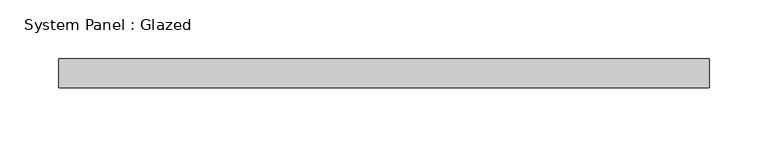
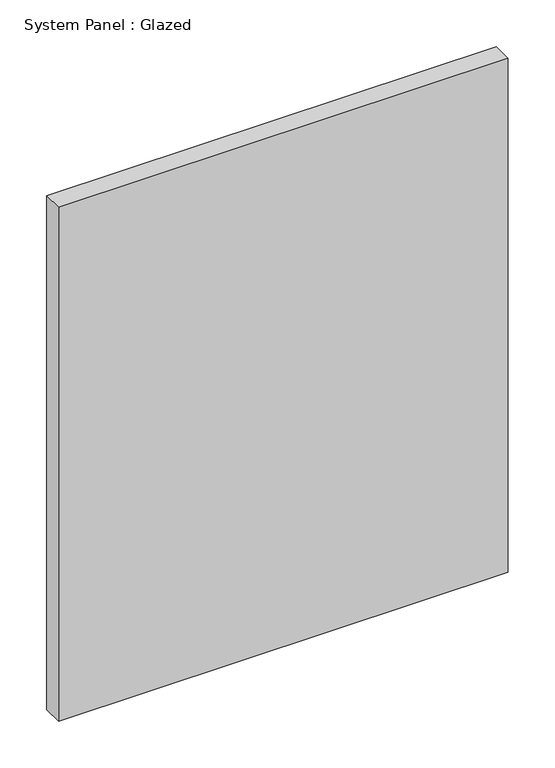
"""IFC4 building model written with IfcOpenShell, lengths in millimetres: plate geometry, System Panel : Glazed."""

from ifc_helpers import new_model, si_unit, origin, origin_with_axes, place, context, project, spatial, polyline, outline, extrude, source, transform, mapped, element, save


def system_panel_glazed_87de648d(model_context):
    return source(origin(), model_context, "Body", "SweptSolid", [
        extrude(outline(polyline([(277.5, -49.5), (-277.5, -49.5), (-277.5, -24.5), (277.5, -24.5), (277.5, -49.5)])), origin_with_axes(), (0.0, 0.0, 1.0), 670.0),
    ])


if __name__ == "__main__":
    model = new_model("IFC4")
    model_context = context("Model", 3, world=origin())
    ifc_project = project(units=[si_unit("LENGTHUNIT", "METRE", prefix="MILLI")], contexts=[model_context])
    site = spatial("IfcSite", under=ifc_project)
    building = spatial("IfcBuilding", under=site)
    placement = place(None, origin())
    system_panel_glazed_shape = system_panel_glazed_87de648d(model_context)
    element("IfcPlate", 1, ObjectType="System Panel : Glazed", at=placement, inside=building, context=model_context, shape_type="MappedRepresentation", body=[
        mapped(system_panel_glazed_shape, transform((0.0, 0.0, 0.0), x_axis=(1.0, 0.0, 0.0), y_axis=(0.0, 1.0, 0.0), z_axis=(0.0, 0.0, 1.0))),
    ])
    save(model, "model.ifc")
